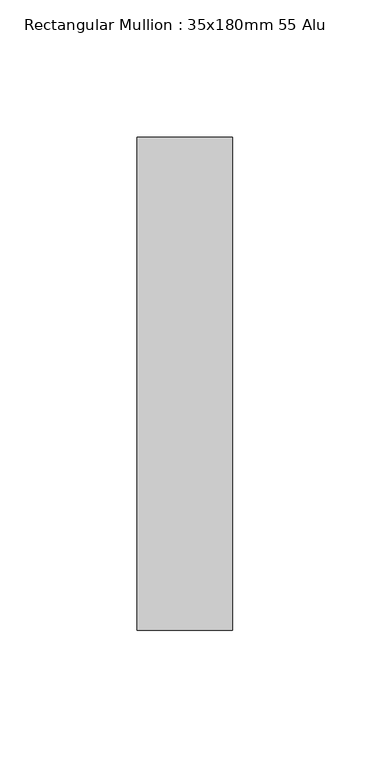
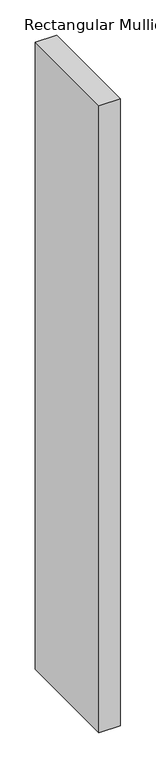
"""IFC4 building model written with IfcOpenShell, lengths in millimetres: member geometry, Rectangular Mullion : 35x180mm 55 Alu."""

import ifcopenshell
import ifcopenshell.guid

model = None  # the IFC model being written
_history = None  # IfcOwnerHistory: only IFC2X3 demands one
_inside = {}  # id of a spatial element -> (the spatial element, [elements in it])
_under = {}  # id of a project, library or spatial element -> (it, [spatial elements below it])
_declared = {}  # id of a project -> (the project, [libraries it declares])
_typed = {}  # id of a type object -> (the type object, [elements of that type])
_made_of = {}  # id of a material, layer set ... -> (it, [elements and type objects made of it])


def new_model(schema):
    """Start an empty IFC model of exactly this schema.

    Asked for "IFC4X3", IfcOpenShell would pick the latest addendum, in which some entities
    have other attributes; the version numbers below select the first issue.
    IFC2X3 requires an IfcOwnerHistory on every rooted entity: one is made here for all.
    """
    global model, _history
    if schema == "IFC4X3":
        model = ifcopenshell.file(schema_version=(4, 3, 0, 0))
    else:
        model = ifcopenshell.file(schema=schema)
    _inside.clear()
    _under.clear()
    _declared.clear()
    _typed.clear()
    _made_of.clear()
    _history = None
    if model.schema == "IFC2X3":
        org = make("IfcOrganization", Name="unknown")
        user = make(
            "IfcPersonAndOrganization",
            ThePerson=make("IfcPerson", FamilyName="unknown"),
            TheOrganization=org,
        )
        app = make(
            "IfcApplication",
            ApplicationDeveloper=org,
            Version="unknown",
            ApplicationFullName="unknown",
            ApplicationIdentifier="unknown",
        )
        _history = make(
            "IfcOwnerHistory",
            OwningUser=user,
            OwningApplication=app,
            ChangeAction="ADDED",
            CreationDate=0,
        )
    return model


def make(cls, **values):
    """One entity of the class cls with the attributes given. An attribute that is None is left unset."""
    return model.create_entity(
        cls, **{name: value for name, value in values.items() if value is not None}
    )


def rooted(cls, **values):
    """An entity with a GlobalId (a new one), such as an element, a storey or a relation."""
    return make(cls, GlobalId=ifcopenshell.guid.new(), OwnerHistory=_history, **values)


def si_unit(unit_type, name, prefix=None):
    """IfcSIUnit, for example si_unit("LENGTHUNIT", "METRE", prefix="MILLI")."""
    return make("IfcSIUnit", UnitType=unit_type, Prefix=prefix, Name=name)


def assignment(units):
    """IfcUnitAssignment: the units of a project."""
    return None if units is None else make("IfcUnitAssignment", Units=units)


def point(xyz):
    """IfcCartesianPoint."""
    return None if xyz is None else make("IfcCartesianPoint", Coordinates=xyz)


def direction(xyz):
    """IfcDirection."""
    return None if xyz is None else make("IfcDirection", DirectionRatios=xyz)


def frame(location, z_axis=None, x_axis=None):
    """IfcAxis2Placement3D, a coordinate frame: its origin and axes. An axis left out is left unset."""
    return make(
        "IfcAxis2Placement3D",
        Location=point(location),
        Axis=direction(z_axis),
        RefDirection=direction(x_axis),
    )


def origin():
    """The frame at (0, 0, 0) with its axes left unset."""
    return frame((0.0, 0.0, 0.0))


def place(relative_to, where):
    """IfcLocalPlacement: puts the frame where relative to a parent placement (None: the world)."""
    return make(
        "IfcLocalPlacement", PlacementRelTo=relative_to, RelativePlacement=where
    )


def context(
    kind, dimensions, precision=None, world=None, true_north=None, identifier=None
):
    """IfcGeometricRepresentationContext, for example the 3D "Model" context."""
    return make(
        "IfcGeometricRepresentationContext",
        ContextIdentifier=identifier,
        ContextType=kind,
        CoordinateSpaceDimension=dimensions,
        Precision=precision,
        WorldCoordinateSystem=world,
        TrueNorth=true_north,
    )


def project(units=None, contexts=None):
    """IfcProject with its units and contexts."""
    return rooted(
        "IfcProject",
        Name="project",
        RepresentationContexts=contexts,
        UnitsInContext=assignment(units),
    )


def spatial(cls, under=None, at=None, **own):
    """A site, building, storey or space (cls), placed at a placement, below another one or the project."""
    s = rooted(cls, ObjectPlacement=at, **own)
    if under is not None:
        _under.setdefault(under.id(), (under, []))[1].append(s)
    return s


def polyline(points):
    """IfcPolyline through the points."""
    return make("IfcPolyline", Points=[point(p) for p in points])


def outline(outer, holes=None, kind="AREA"):
    """IfcArbitraryClosedProfileDef: a profile drawn as a closed curve; with holes, ...WithVoids."""
    if holes is None:
        return make("IfcArbitraryClosedProfileDef", ProfileType=kind, OuterCurve=outer)
    return make(
        "IfcArbitraryProfileDefWithVoids",
        ProfileType=kind,
        OuterCurve=outer,
        InnerCurves=holes,
    )


def extrude(swept, where, along, depth):
    """IfcExtrudedAreaSolid: the profile swept, set in the frame where, extruded along a direction by depth."""
    return make(
        "IfcExtrudedAreaSolid",
        SweptArea=swept,
        Position=where,
        ExtrudedDirection=direction(along),
        Depth=depth,
    )


def shape(context_of_items, identifier, shape_type, items):
    """IfcShapeRepresentation: the items that make up one representation, for example the "Body"."""
    return make(
        "IfcShapeRepresentation",
        ContextOfItems=context_of_items,
        RepresentationIdentifier=identifier,
        RepresentationType=shape_type,
        Items=items,
    )


def source(mapping_origin, context_of_items, identifier, shape_type, items):
    """IfcRepresentationMap: a shape defined once, which mapped items show again and again."""
    return make(
        "IfcRepresentationMap",
        MappingOrigin=mapping_origin,
        MappedRepresentation=shape(context_of_items, identifier, shape_type, items),
    )


def transform(
    local_origin,
    x_axis=None,
    y_axis=None,
    z_axis=None,
    scale=None,
    scale2=None,
    scale3=None,
    uniform=True,
):
    """IfcCartesianTransformationOperator3D, or its non-uniform kind. x_axis, y_axis, z_axis: its Axis1, 2, 3."""
    if uniform:
        return make(
            "IfcCartesianTransformationOperator3D",
            Axis1=direction(x_axis),
            Axis2=direction(y_axis),
            LocalOrigin=point(local_origin),
            Scale=scale,
            Axis3=direction(z_axis),
        )
    return make(
        "IfcCartesianTransformationOperator3DnonUniform",
        Axis1=direction(x_axis),
        Axis2=direction(y_axis),
        LocalOrigin=point(local_origin),
        Scale=scale,
        Axis3=direction(z_axis),
        Scale2=scale2,
        Scale3=scale3,
    )


def mapped(mapping_source, mapping_target):
    """IfcMappedItem: shows the shape of a source again, moved by a transform."""
    return make(
        "IfcMappedItem", MappingSource=mapping_source, MappingTarget=mapping_target
    )


def made_of(thing, what):
    """Note that an element or type object is made of a material, layer set ...; save() writes the relation."""
    if what is not None:
        _made_of.setdefault(what.id(), (what, []))[1].append(thing)
    return thing


def element(
    cls,
    number,
    at=None,
    inside=None,
    cuts=None,
    type_object=None,
    material=None,
    context=None,
    identifier="Body",
    shape_type=None,
    held_by="IfcProductDefinitionShape",
    body=None,
    shapes=None,
    **own,
):
    """One element of the class cls, such as IfcWall. Its Tag is "e" and its number.

    at: its placement. inside: the storey or other place that contains it. cuts: it is an
    opening in that element (IfcRelVoidsElement). A single representation is given by context,
    identifier, shape_type and body (its items); several are given by shapes. held_by: the class
    of the entity that holds the representations. save() writes the other relations.
    """
    e = rooted(cls, Tag="e%d" % number, ObjectPlacement=at, **own)
    if body is not None:
        shapes = [shape(context, identifier, shape_type, body)]
    if shapes is not None:
        e.Representation = make(held_by, Representations=shapes)
    if inside is not None:
        _inside.setdefault(inside.id(), (inside, []))[1].append(e)
    if cuts is not None:
        rooted(
            "IfcRelVoidsElement", RelatingBuildingElement=cuts, RelatedOpeningElement=e
        )
    if type_object is not None:
        _typed.setdefault(type_object.id(), (type_object, []))[1].append(e)
    return made_of(e, material)


def aggregate(whole, parts):
    """IfcRelAggregates: a whole, such as a stair, and the parts it consists of."""
    return rooted("IfcRelAggregates", RelatingObject=whole, RelatedObjects=parts)


def save(model, path):
    """Write the relations noted so far, then the file.

    IfcRelAggregates (storeys below a building ...), IfcRelContainedInSpatialStructure (elements
    in a storey), IfcRelDefinesByType, IfcRelAssociatesMaterial and IfcRelDeclares: one each for
    every whole, place, type object, material and project.
    """
    for whole, parts in _under.values():
        aggregate(whole, parts)
    for where, things in _inside.values():
        rooted(
            "IfcRelContainedInSpatialStructure",
            RelatedElements=things,
            RelatingStructure=where,
        )
    for kind, things in _typed.values():
        rooted("IfcRelDefinesByType", RelatedObjects=things, RelatingType=kind)
    for what, things in _made_of.values():
        rooted("IfcRelAssociatesMaterial", RelatedObjects=things, RelatingMaterial=what)
    for by, libraries in _declared.values():
        rooted("IfcRelDeclares", RelatingContext=by, RelatedDefinitions=libraries)
    model.write(path)


def rectangular_mullion_35x180mm_55_alu_1844cef7(model_context):
    return source(origin(), model_context, "Body", "SweptSolid", [
        extrude(outline(polyline([(0.0, 35.0), (0.0, -145.0), (-35.0, -145.0), (-35.0, 35.0), (0.0, 35.0)])), frame((0.0, 0.0, -1083.0749742), z_axis=(0.0, 0.0, 1.0), x_axis=(1.0, 0.0, 0.0)), (0.0, 0.0, 1.0), 1083.0749742),
    ])


if __name__ == "__main__":
    model = new_model("IFC4")
    model_context = context("Model", 3, world=origin())
    ifc_project = project(units=[si_unit("LENGTHUNIT", "METRE", prefix="MILLI")], contexts=[model_context])
    site = spatial("IfcSite", under=ifc_project)
    building = spatial("IfcBuilding", under=site)
    placement = place(None, origin())
    rectangular_mullion_35x180mm_55_alu_shape = rectangular_mullion_35x180mm_55_alu_1844cef7(model_context)
    element("IfcMember", 1, ObjectType="Rectangular Mullion : 35x180mm 55 Alu", at=placement, inside=building, context=model_context, shape_type="MappedRepresentation", body=[
        mapped(rectangular_mullion_35x180mm_55_alu_shape, transform((0.0, 0.0, 0.0), x_axis=(1.0, 0.0, 0.0), y_axis=(0.0, 1.0, 0.0), z_axis=(0.0, 0.0, 1.0))),
    ])
    save(model, "model.ifc")
